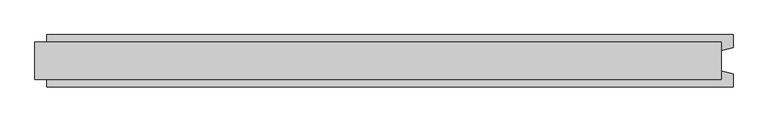
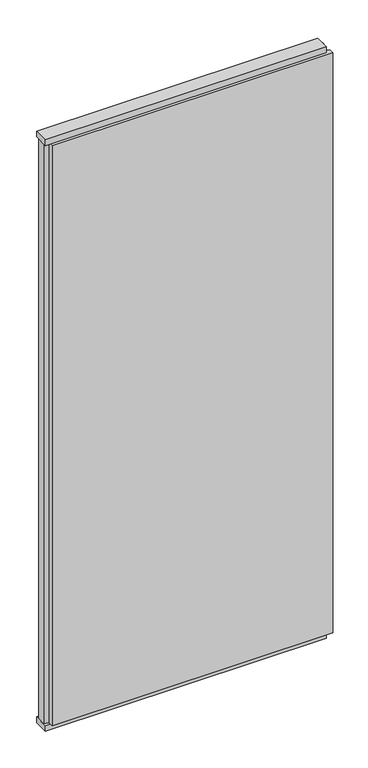
"""IFC4 building model written with IfcOpenShell, lengths in millimetres: plate geometry."""

from ifc_helpers import new_model, si_unit, frame, origin, origin_with_axes, place, context, project, spatial, polyline, outline, extrude, source, transform, mapped, element, save


def plate_d46faae5(model_context):
    return source(origin(), model_context, "Body", "SweptSolid", [
        extrude(outline(polyline([(590.0, 32.0), (590.0, -32.0), (-590.0, -32.0), (-590.0, 32.0), (590.0, 32.0)])), origin_with_axes(), (0.0, 0.0, 1.0), 25.0),
        extrude(outline(polyline([(590.0, 32.0), (590.0, -32.0), (-590.0, -32.0), (-590.0, 32.0), (590.0, 32.0)])), frame((0.0, 0.0, 2602.0), z_axis=(0.0, 0.0, 1.0), x_axis=(1.0, 0.0, 0.0)), (0.0, 0.0, 1.0), 25.0),
        extrude(outline(polyline([(610.0, 45.0), (610.0, 22.9993165), (590.0, 17.6401049), (590.0, -17.6401049), (610.0, -22.9993165), (610.0, -45.0), (-570.0, -45.0), (-570.0, -22.9993165), (-590.0, -17.6401049), (-590.0, 17.6401049), (-570.0, 22.9993165), (-570.0, 45.0), (610.0, 45.0)])), frame((0.0, 0.0, 25.0), z_axis=(0.0, 0.0, 1.0), x_axis=(1.0, 0.0, 0.0)), (0.0, 0.0, 1.0), 2577.0),
    ])


if __name__ == "__main__":
    model = new_model("IFC4")
    model_context = context("Model", 3, world=origin())
    ifc_project = project(units=[si_unit("LENGTHUNIT", "METRE", prefix="MILLI")], contexts=[model_context])
    site = spatial("IfcSite", under=ifc_project)
    building = spatial("IfcBuilding", under=site)
    placement = place(None, origin())
    plate_shape = plate_d46faae5(model_context)
    element("IfcPlate", 1, at=placement, inside=building, context=model_context, shape_type="MappedRepresentation", body=[
        mapped(plate_shape, transform((0.0, 0.0, 0.0), x_axis=(1.0, 0.0, 0.0), y_axis=(0.0, 1.0, 0.0), z_axis=(0.0, 0.0, 1.0))),
    ])
    save(model, "model.ifc")
